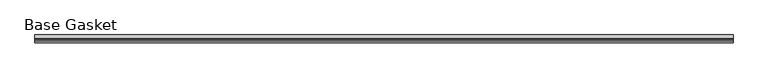
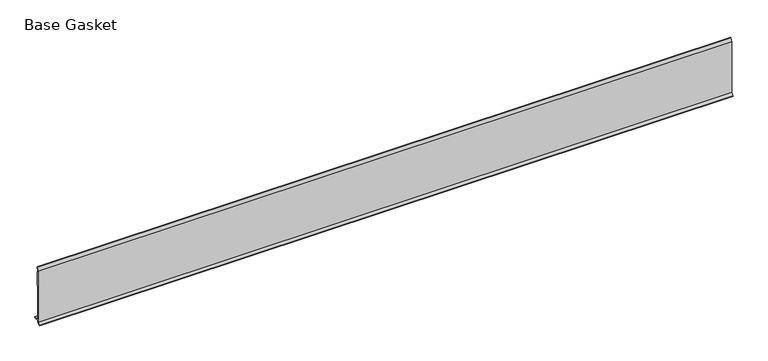
"""IFC4 building model written with IfcOpenShell, lengths in millimetres: furniture geometry, Base Gasket."""

from ifc_helpers import new_model, si_unit, frame, origin, place, context, project, spatial, polyline, outline, extrude, source, transform, mapped, element, save


def base_gasket_01c8d273(model_context):
    return source(origin(), model_context, "Body", "SweptSolid", [
        extrude(outline(polyline([(-3.7283812, 98.4568417), (-1.1891543, 104.587663), (-0.6755308, 105.2002997), (-0.6755308, 104.4162708), (-2.2043812, 98.4568417), (-2.2043812, 96.8693477), (-1.4106313, 96.8693477), (-1.4106313, 71.4693447), (-2.2043812, 71.4693447), (-2.2043812, 7.9398773), (6.2405171, 7.9398773), (6.2405171, 6.3818476), (-2.1334222, 6.3818476), (-2.2043812, 4.3498477), (-6.8281054, 0.3520979), (-7.8482342, 0.0), (-7.4222115, 0.6560174), (-3.7283812, 4.3498477), (-3.7283812, 98.4568417)])), frame((-1527.8982117, 0.0, 0.0), z_axis=(1.0, 0.0, 0.0), x_axis=(0.0, 1.0, 0.0)), (0.0, 0.0, 1.0), 1219.2),
    ])


if __name__ == "__main__":
    model = new_model("IFC4")
    model_context = context("Model", 3, world=origin())
    ifc_project = project(units=[si_unit("LENGTHUNIT", "METRE", prefix="MILLI")], contexts=[model_context])
    site = spatial("IfcSite", under=ifc_project)
    building = spatial("IfcBuilding", under=site)
    placement = place(None, origin())
    base_gasket_shape = base_gasket_01c8d273(model_context)
    element("IfcFurniture", 1, ObjectType="Base Gasket", at=placement, inside=building, context=model_context, shape_type="MappedRepresentation", body=[
        mapped(base_gasket_shape, transform((0.0, 0.0, 0.0), x_axis=(1.0, 0.0, 0.0), y_axis=(0.0, 1.0, 0.0), z_axis=(0.0, 0.0, 1.0))),
    ])
    save(model, "model.ifc")
